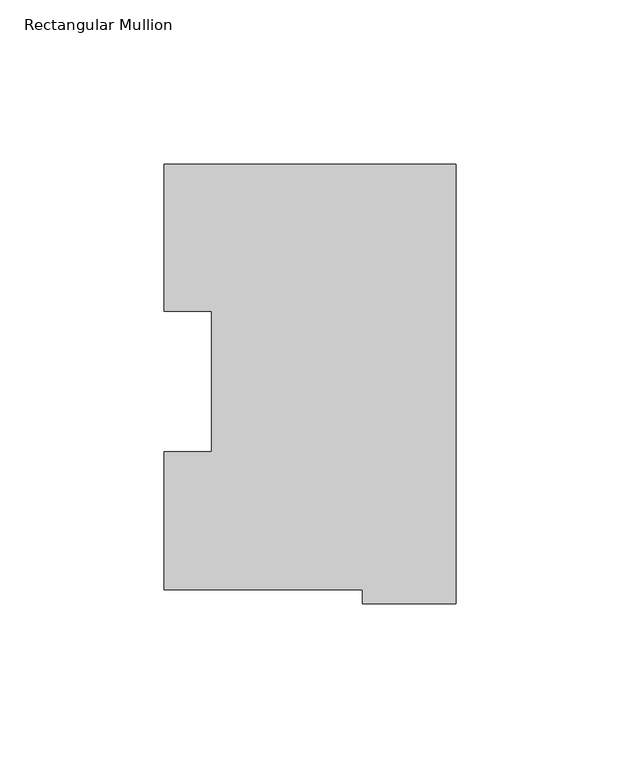
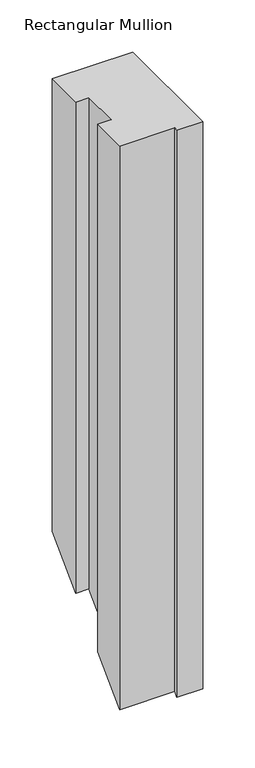
"""IFC4 building model written with IfcOpenShell, lengths in millimetres: member geometry, Rectangular Mullion."""

from ifc_helpers import new_model, si_unit, origin, place, context, project, spatial, faceted_brep, source, transform, mapped, element, save


def rectangular_mullion_4080e8cf(model_context):
    return source(origin(), model_context, "Body", "Brep", [
        faceted_brep([(-88.99652, 130.0368875, 0.0), (-88.99652, 85.1296875, 0.0), (-74.6252, 85.1296875, 0.0), (-74.6252, 42.2798875, 0.0), (-89.1408142, 42.2798875, 0.0), (-89.1408142, 0.2428875, 0.0), (-28.56992, 0.2428875, 0.0), (-28.56992, -3.9735125, 0.0), (0.0, -3.9735125, 0.0), (0.0, 130.0368875, 0.0), (-88.99652, 130.0368875, -530.3631125), (-88.99652, 85.1296875, -575.2703125), (-74.6252, 85.1296875, -575.2703125), (-74.6252, 42.2798875, -618.1201125), (-89.1408142, 42.2798875, -618.1201125), (-89.1408142, 0.2428875, -660.1571125), (-28.56992, 0.2428875, -660.1571125), (-28.56992, -3.9735125, -664.3735125), (0.0, -3.9735125, -664.3735125), (0.0, 130.0368875, -530.3631125)], [[[0, 1, 2, 3, 4, 5, 6, 7, 8, 9]], [[1, 0, 10, 11]], [[2, 1, 11, 12]], [[3, 2, 12, 13]], [[4, 3, 13, 14]], [[5, 4, 14, 15]], [[6, 5, 15, 16]], [[7, 6, 16, 17]], [[8, 7, 17, 18]], [[9, 8, 18, 19]], [[0, 9, 19, 10]], [[10, 19, 18, 17, 16, 15, 14, 13, 12, 11]]]),
    ])


if __name__ == "__main__":
    model = new_model("IFC4")
    model_context = context("Model", 3, world=origin())
    ifc_project = project(units=[si_unit("LENGTHUNIT", "METRE", prefix="MILLI")], contexts=[model_context])
    site = spatial("IfcSite", under=ifc_project)
    building = spatial("IfcBuilding", under=site)
    placement = place(None, origin())
    rectangular_mullion_shape = rectangular_mullion_4080e8cf(model_context)
    element("IfcMember", 1, ObjectType="Rectangular Mullion", at=placement, inside=building, context=model_context, shape_type="MappedRepresentation", body=[
        mapped(rectangular_mullion_shape, transform((0.0, 0.0, 0.0), x_axis=(1.0, 0.0, 0.0), y_axis=(0.0, 1.0, 0.0), z_axis=(0.0, 0.0, 1.0))),
    ])
    save(model, "model.ifc")
